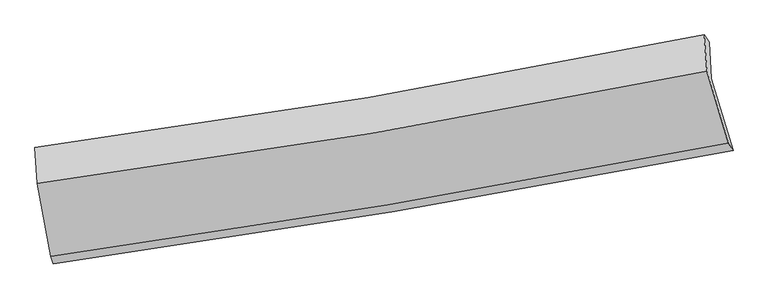
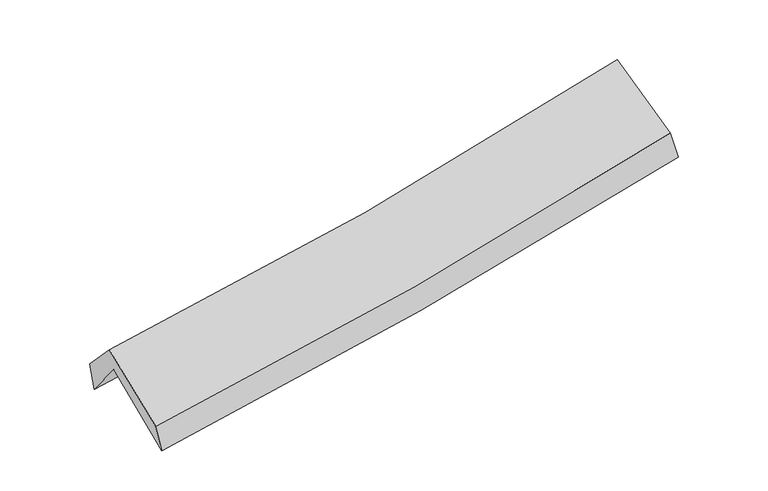
"""IFC4 building model written with IfcOpenShell, lengths in millimetres: proxy geometry."""

from ifc_helpers import new_model, si_unit, frame, origin, place, context, project, spatial, source, transform, mapped, element, save
from ifc_brep_helpers import plane_surface, spline_curve, spline_surface, advanced_brep


def generic_models_2578d8db(model_context):
    return source(origin(), model_context, "Body", "AdvancedBrep", [
        advanced_brep(
        [(-2224.1000946, -2465.1352059, 1496.3545345), (-2318.2781691, -1957.3825224, 1923.0532417), (2263.2552806, -1202.3021132, 2343.1145133), (2412.5214521, -1693.4323949, 1927.6526462), (-2331.9004222, -1704.4828418, 1602.6284993), (2249.5358628, -951.6065691, 2028.9391257), (-2349.1912347, -1670.4754911, 1807.0635616), (2215.2257824, -901.8747255, 2232.7028938), (-2332.8780018, -1917.6373679, 2072.1832702), (2233.9434163, -1148.6542584, 2498.0625326), (-2242.7042637, -2413.7502123, 1684.8135738), (2379.6715873, -1639.7625056, 2112.3655605)],
        [
            (0, 1),
            (1, 2, spline_curve(3, [(-2318.2781691, -1957.3825224, 1923.0532417), (-1556.109804466, -1853.703590653, 1970.430467482), (-796.496520791, -1739.573351635, 2028.727916968), (730.770835808, -1488.246137726, 2168.365652391), (1498.335368764, -1350.682906881, 2250.088626697), (2263.2552806, -1202.3021132, 2343.1145133)], [4, 2, 4], [0.0, 7.630910602589444, 15.394378696532945])),
            (2, 3),
            (3, 0, spline_curve(3, [(2412.5214521, -1693.4323949, 1927.6526462), (1639.058311505, -1842.063294917, 1834.873508232), (862.588872296, -1981.159660069, 1752.320246881), (-683.05342921, -2238.071115062, 1608.900432302), (-1452.124505535, -2356.209020157, 1547.687656388), (-2224.1000946, -2465.1352059, 1496.3545345)], [4, 2, 4], [0.0, 7.763468093943501, 15.394378696532945])),
            (1, 4),
            (4, 5, spline_curve(3, [(-2331.9004222, -1704.4828418, 1602.6284993), (-1569.251153651, -1599.007004935, 1642.00156706), (-809.40330554, -1484.15110535, 1696.774326216), (717.840295604, -1233.521062794, 1838.338201496), (1485.137876149, -1097.418204648, 1925.668984483), (2249.5358628, -951.6065691, 2028.9391257)], [4, 2, 4], [0.0, 7.584481109484146, 15.300713177858349])),
            (5, 2),
            (4, 6),
            (6, 7, spline_curve(3, [(-2349.1912347, -1670.4754911, 1807.0635616), (-1588.796827502, -1570.06354981, 1853.620455074), (-831.480071114, -1456.473495271, 1911.961074091), (690.100121254, -1200.735053813, 2053.427902774), (1454.255703681, -1058.12485336, 2136.967060903), (2215.2257824, -901.8747255, 2232.7028938)], [4, 2, 4], [0.0, 7.573328977943624, 15.278215189721768])),
            (7, 5),
            (6, 8),
            (8, 9, spline_curve(3, [(-2332.8780018, -1917.6373679, 2072.1832702), (-1572.043042385, -1817.052194135, 2118.649440606), (-814.307182249, -1703.34346165, 2176.963959181), (708.075228711, -1447.475660547, 2318.508499845), (1472.613174341, -1304.856689758, 2402.153735516), (2233.9434163, -1148.6542584, 2498.0625326)], [4, 2, 4], [0.0, 7.5637924927005935, 15.258976559771721])),
            (9, 7),
            (8, 10),
            (10, 11, spline_curve(3, [(-2242.7042637, -2413.7502123, 1684.8135738), (-1472.544716817, -2308.547120835, 1734.475542631), (-705.556265117, -2192.099649431, 1794.538722962), (835.34681303, -1934.497795432, 1936.691551694), (1609.150311669, -1792.949364563, 2019.145700403), (2379.6715873, -1639.7625056, 2112.3655605)], [4, 2, 4], [0.0, 7.6106224063488535, 15.35344987528699])),
            (11, 9),
            (10, 0),
            (3, 11),
        ],
        [
            spline_surface(3, 3, [[(-2224.1000946, -2465.1352059, 1496.3545345), (-1452.124505484, -2356.209020084, 1547.687656502), (-683.05342912, -2238.071114984, 1608.900432284), (862.588872204, -1981.159660148, 1752.320246899), (1639.058311399, -1842.06329496, 1834.873508349), (2412.5214521, -1693.4323949, 1927.6526462)], [(-2255.492786087, -2295.884311391, 1638.587436915), (-1486.78627182, -2188.707210283, 1688.601926804), (-720.86779305, -2071.90519388, 1748.842927155), (818.649526773, -1816.855152625, 1891.002048735), (1592.150663889, -1678.26983228, 1973.278547827), (2362.766061594, -1529.722301009, 2066.139935249)], [(-2286.885477613, -2126.633416909, 1780.820339285), (-1521.448038193, -2021.205400508, 1829.516197061), (-758.68215697, -1905.73927283, 1888.785422054), (774.710181351, -1652.550645157, 2029.683850599), (1545.243016395, -1514.476369571, 2111.683587256), (2313.010671106, -1366.012207091, 2204.627224251)], [(-2318.2781691, -1957.3825224, 1923.0532417), (-1556.109804529, -1853.703590706, 1970.430467363), (-796.4965209, -1739.573351725, 2028.727916925), (730.770835919, -1488.246137634, 2168.365652435), (1498.335368885, -1350.682906891, 2250.088626734), (2263.2552806, -1202.3021132, 2343.1145133)]], [4, 4], [4, 2, 4], [0.0, 2.164851230864081], [0.0, 7.630910602589444, 15.394378696532945]),
            spline_surface(3, 3, [[(-2318.2781691, -1957.3825224, 1923.0532417), (-1556.109804529, -1853.703590706, 1970.430467363), (-796.4965209, -1739.573351725, 2028.727916925), (730.770835919, -1488.246137634, 2168.365652435), (1498.335368885, -1350.682906891, 2250.088626734), (2263.2552806, -1202.3021132, 2343.1145133)], [(-2322.818920139, -1873.082628881, 1816.24499423), (-1560.490254203, -1768.804728791, 1860.954167249), (-800.798782469, -1654.432602966, 1918.076720009), (726.460655855, -1403.337779357, 2058.356502111), (1493.936204645, -1266.261339506, 2141.948745964), (2258.682141347, -1118.736931828, 2238.389384082)], [(-2327.359671161, -1788.782735319, 1709.43674677), (-1564.870703861, -1683.905866833, 1751.477867146), (-805.101044065, -1569.291854153, 1807.425523128), (722.150475765, -1318.429421026, 1948.347351823), (1489.537040364, -1181.839772138, 2033.808865247), (2254.109002053, -1035.171750472, 2133.664254918)], [(-2331.9004222, -1704.4828418, 1602.6284993), (-1569.251153536, -1599.007004918, 1642.001567032), (-809.403305635, -1484.151105394, 1696.774326212), (717.840295701, -1233.521062749, 1838.3382015), (1485.137876124, -1097.418204754, 1925.668984477), (2249.5358628, -951.6065691, 2028.9391257)]], [4, 4], [4, 2, 4], [0.0, 1.3715690756704357], [0.0, 7.584481109484146, 15.300713177858349]),
            spline_surface(3, 3, [[(-2331.9004222, -1704.4828418, 1602.6284993), (-1569.251153536, -1599.007004918, 1642.001567032), (-809.403305635, -1484.151105394, 1696.774326212), (717.840295701, -1233.521062749, 1838.3382015), (1485.137876124, -1097.418204754, 1925.668984477), (2249.5358628, -951.6065691, 2028.9391257)], [(-2337.66402637, -1693.147058204, 1670.773520042), (-1575.766378189, -1589.35918653, 1712.541196353), (-816.762227427, -1474.925235325, 1768.503242227), (708.593570879, -1222.592393117, 1910.034768584), (1474.843818675, -1084.320420941, 1996.101676632), (2238.099169334, -935.029287917, 2096.860381736)], [(-2343.42763053, -1681.811274696, 1738.918540858), (-1582.281602833, -1579.71136823, 1783.080825748), (-824.121149261, -1465.699365278, 1840.23215817), (699.346846015, -1211.663723508, 1981.731335595), (1464.549761222, -1071.222637078, 2066.534368778), (2226.662475866, -918.452006683, 2164.781637764)], [(-2349.1912347, -1670.4754911, 1807.0635616), (-1588.796827486, -1570.063549843, 1853.620455069), (-831.480071053, -1456.473495209, 1911.961074185), (690.100121192, -1200.735053876, 2053.427902679), (1454.255703773, -1058.124853266, 2136.967060933), (2215.2257824, -901.8747255, 2232.7028938)]], [4, 4], [4, 2, 4], [0.0, 0.7174716537986717], [0.0, 7.573328977943624, 15.278215189721768]),
            spline_surface(3, 3, [[(-2349.1912347, -1670.4754911, 1807.0635616), (-1588.796827486, -1570.063549843, 1853.620455069), (-831.480071053, -1456.473495209, 1911.961074185), (690.100121192, -1200.735053876, 2053.427902679), (1454.255703773, -1058.124853266, 2136.967060933), (2215.2257824, -901.8747255, 2232.7028938)], [(-2343.753490385, -1752.862783374, 1895.436797824), (-1583.212232469, -1652.393097924, 1941.963450308), (-825.755774777, -1538.763484034, 2000.295369175), (696.091823667, -1282.981922767, 2141.7881017), (1460.374860645, -1140.36879875, 2225.362619108), (2221.464993679, -984.134569788, 2321.156106741)], [(-2338.315746115, -1835.250075626, 1983.810033976), (-1577.627637495, -1734.722645984, 2030.306445472), (-820.031478467, -1621.053472842, 2088.629664228), (702.083526178, -1365.22879164, 2230.148300786), (1466.494017581, -1222.61274427, 2313.758177261), (2227.704205021, -1066.394414112, 2409.609319659)], [(-2332.8780018, -1917.6373679, 2072.1832702), (-1572.043042478, -1817.052194065, 2118.649440711), (-814.307182192, -1703.343461667, 2176.963959218), (708.075228653, -1447.47566053, 2318.508499807), (1472.613174453, -1304.856689754, 2402.153735436), (2233.9434163, -1148.6542584, 2498.0625326)]], [4, 4], [4, 2, 4], [0.0, 1.1895878509975462], [0.0, 7.5637924927005935, 15.258976559771721]),
            spline_surface(3, 3, [[(-2332.8780018, -1917.6373679, 2072.1832702), (-1572.043042478, -1817.052194065, 2118.649440711), (-814.307182192, -1703.343461667, 2176.963959218), (708.075228653, -1447.47566053, 2318.508499807), (1472.613174453, -1304.856689754, 2402.153735436), (2233.9434163, -1148.6542584, 2498.0625326)], [(-2302.820089118, -2083.008316057, 1943.060038066), (-1538.876933923, -1980.883836381, 1990.591474709), (-778.056876523, -1866.262190938, 2049.48888048), (750.499090115, -1609.816372128, 2191.236183805), (1518.125553582, -1467.554248033, 2274.484390419), (2282.519473325, -1312.357007468, 2369.496875213)], [(-2272.762176382, -2248.379264143, 1813.936805934), (-1505.710825315, -2144.715478627, 1862.53350871), (-741.806570825, -2029.180920239, 1922.013801668), (792.922951606, -1772.157083754, 2063.963867728), (1563.637932637, -1630.251806308, 2146.815045463), (2331.095530275, -1476.059756532, 2240.931217887)], [(-2242.7042637, -2413.7502123, 1684.8135738), (-1472.54471676, -2308.547120943, 1734.475542708), (-705.556265156, -2192.09964951, 1794.53872293), (835.346813069, -1934.497795351, 1936.691551726), (1609.150311766, -1792.949364587, 2019.145700446), (2379.6715873, -1639.7625056, 2112.3655605)]], [4, 4], [4, 2, 4], [0.0, 2.0697881856435285], [0.0, 7.6106224063488535, 15.35344987528699]),
            spline_surface(3, 3, [[(-2242.7042637, -2413.7502123, 1684.8135738), (-1472.54471676, -2308.547120943, 1734.475542708), (-705.556265156, -2192.09964951, 1794.53872293), (835.346813069, -1934.497795351, 1936.691551726), (1609.150311766, -1792.949364587, 2019.145700446), (2379.6715873, -1639.7625056, 2112.3655605)], [(-2236.502874001, -2430.878543494, 1621.993894023), (-1465.737979669, -2324.434420651, 1672.212913962), (-698.055319808, -2207.423471346, 1732.659292708), (844.42749945, -1950.051750295, 1875.234450111), (1619.119644965, -1809.320674701, 1957.721636425), (2390.62154222, -1657.65246869, 2050.794589078)], [(-2230.301484299, -2448.006874706, 1559.174214277), (-1458.931242575, -2340.321720376, 1609.950285248), (-690.554374468, -2222.747293149, 1670.779862506), (853.508185824, -1965.605705205, 1813.777348515), (1629.088978201, -1825.691984846, 1896.297572369), (2401.57149718, -1675.54243181, 1989.223617622)], [(-2224.1000946, -2465.1352059, 1496.3545345), (-1452.124505484, -2356.209020084, 1547.687656502), (-683.05342912, -2238.071114984, 1608.900432284), (862.588872204, -1981.159660148, 1752.320246899), (1639.058311399, -1842.06329496, 1834.873508349), (2412.5214521, -1693.4323949, 1927.6526462)]], [4, 4], [4, 2, 4], [0.0, 0.6309907467282699], [0.0, 7.666625909863625, 15.466429726098827]),
            plane_surface(frame((2292.3588969, -1256.2720944, 2190.4728787), z_axis=(0.973351718420495, 0.1980769275349701, 0.1155506946157225), x_axis=(0.22726066217372123, -0.7658751539638945, -0.6014880214677121))),
            plane_surface(frame((-2299.842031, -2021.4772736, 1764.3494469), z_axis=(-0.989377529105876, -0.1315822899772455, -0.061791632643066), x_axis=(-0.09481151009831572, 0.26187081037691323, 0.9604345142826843))),
        ],
        [
            (0, [[1, 2, 3, 4]]),
            (1, [[5, 6, 7, -2]]),
            (2, [[8, 9, 10, -6]]),
            (3, [[11, 12, 13, -9]]),
            (4, [[14, 15, 16, -12]]),
            (5, [[17, -4, 18, -15]]),
            (6, [[-16, -18, -3, -7, -10, -13]]),
            (7, [[-17, -14, -11, -8, -5, -1]]),
        ],
    ),
    ])


if __name__ == "__main__":
    model = new_model("IFC4")
    model_context = context("Model", 3, world=origin())
    ifc_project = project(units=[si_unit("LENGTHUNIT", "METRE", prefix="MILLI")], contexts=[model_context])
    site = spatial("IfcSite", under=ifc_project)
    building = spatial("IfcBuilding", under=site)
    placement = place(None, origin())
    generic_models_shape = generic_models_2578d8db(model_context)
    element("IfcBuildingElementProxy", 1, Name="Generic Models", at=placement, inside=building, context=model_context, shape_type="MappedRepresentation", body=[
        mapped(generic_models_shape, transform((0.0, 0.0, 0.0), x_axis=(1.0, 0.0, 0.0), y_axis=(0.0, 1.0, 0.0), z_axis=(0.0, 0.0, 1.0))),
    ])
    save(model, "model.ifc")
